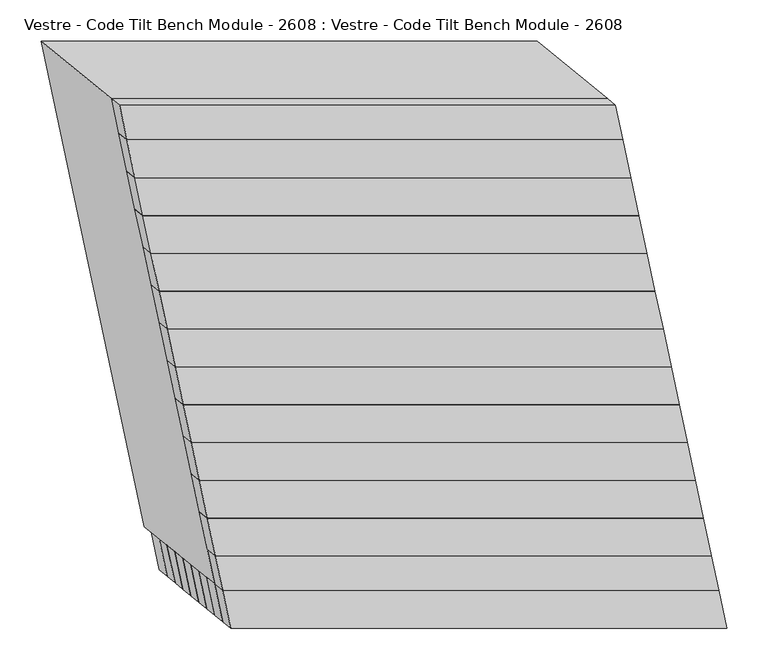
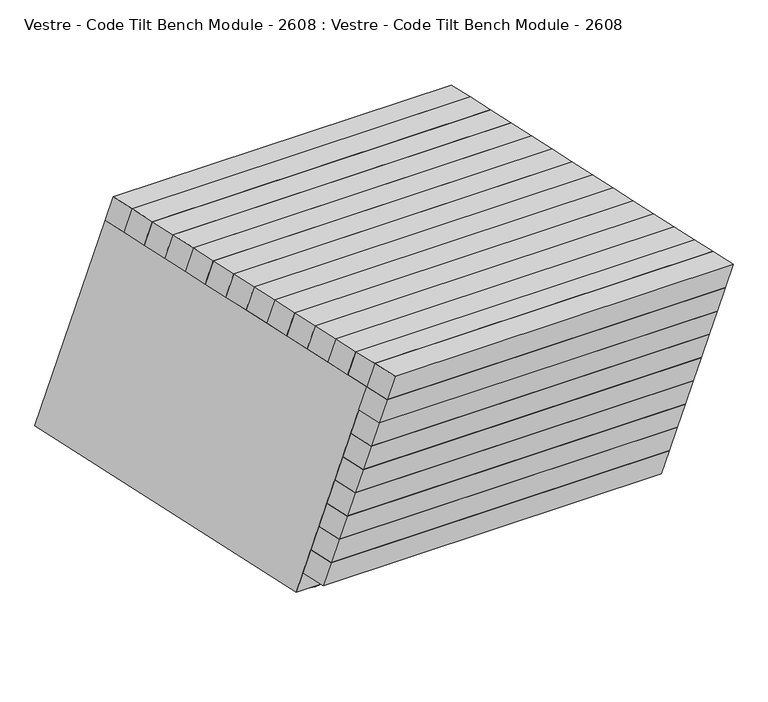
"""IFC4 building model written with IfcOpenShell, lengths in millimetres: furniture geometry, Vestre - Code Tilt Bench Module - 2608 : Vestre - Code Tilt Bench Module - 2608."""

from ifc_helpers import new_model, si_unit, point, frame, frame_2d, origin, origin_with_axes, place, context, project, spatial, circle_curve, trimmed, segment, composite_curve, outline, extrude, faceted_brep, source, transform, mapped, element, save


def vestre_code_tilt_bench_module_2608_vestre_code_tilt_bench_08f4c7ec(model_context):
    return source(origin(), model_context, "Body", "SolidModel", [
        faceted_brep([(350.255274, -362.9784336, 419.8134138), (-249.744726, -362.9784336, 419.8134138), (-239.9876954, -408.8816531, 419.8134138), (360.0123046, -408.8816531, 419.8134138), (340.6138375, -355.103719, 374.7462265), (350.370868, -401.0069385, 374.7462265), (-249.629132, -401.0069385, 374.7462265), (-259.3861625, -355.103719, 374.7462265)], [[[0, 1, 2, 3]], [[4, 5, 6, 7]], [[4, 7, 1, 0]], [[7, 6, 2, 1]], [[6, 5, 3, 2]], [[5, 4, 0, 3]]]),
        faceted_brep([(244.0437897, 174.1919917, 465.0), (-355.9562103, 174.1919917, 465.0), (-346.2319436, 128.4429141, 465.0), (253.7680564, 128.4429141, 465.0), (234.3979186, 182.0875693, 419.8134138), (244.1221852, 136.3384916, 419.8134138), (-355.8778148, 136.3384916, 419.8134138), (-365.6020814, 182.0875693, 419.8134138)], [[[0, 1, 2, 3]], [[4, 5, 6, 7]], [[4, 7, 1, 0]], [[7, 6, 2, 1]], [[6, 5, 3, 2]], [[5, 4, 0, 3]]]),
        faceted_brep([(253.7680564, 128.4429141, 465.0), (-346.2319436, 128.4429141, 465.0), (-336.507677, 82.6938364, 465.0), (263.492323, 82.6938364, 465.0), (244.1221852, 136.3384916, 419.8134138), (253.8464519, 90.5894139, 419.8134138), (-346.1535481, 90.5894139, 419.8134138), (-355.8778148, 136.3384916, 419.8134138)], [[[0, 1, 2, 3]], [[4, 5, 6, 7]], [[4, 7, 1, 0]], [[7, 6, 2, 1]], [[6, 5, 3, 2]], [[5, 4, 0, 3]]]),
        faceted_brep([(263.492323, 82.6938364, 465.0), (-336.507677, 82.6938364, 465.0), (-326.7834103, 36.9447587, 465.0), (273.2165897, 36.9447587, 465.0), (253.8464519, 90.5894139, 419.8134138), (263.5707185, 44.8403363, 419.8134138), (-336.4292815, 44.8403363, 419.8134138), (-346.1535481, 90.5894139, 419.8134138)], [[[0, 1, 2, 3]], [[4, 5, 6, 7]], [[4, 7, 1, 0]], [[7, 6, 2, 1]], [[6, 5, 3, 2]], [[5, 4, 0, 3]]]),
        faceted_brep([(273.2165897, 36.9447587, 465.0), (-326.7834103, 36.9447587, 465.0), (-317.0591437, -8.8043189, 465.0), (282.9408563, -8.8043189, 465.0), (263.5707185, 44.8403363, 419.8134138), (273.2949852, -0.9087414, 419.8134138), (-326.7050148, -0.9087414, 419.8134138), (-336.4292815, 44.8403363, 419.8134138)], [[[0, 1, 2, 3]], [[4, 5, 6, 7]], [[4, 7, 1, 0]], [[7, 6, 2, 1]], [[6, 5, 3, 2]], [[5, 4, 0, 3]]]),
        faceted_brep([(282.9408563, -8.8043189, 465.0), (-317.0591437, -8.8043189, 465.0), (-307.334877, -54.5533966, 465.0), (292.665123, -54.5533966, 465.0), (273.2949852, -0.9087414, 419.8134138), (283.0192518, -46.657819, 419.8134138), (-316.9807482, -46.657819, 419.8134138), (-326.7050148, -0.9087414, 419.8134138)], [[[0, 1, 2, 3]], [[4, 5, 6, 7]], [[4, 7, 1, 0]], [[7, 6, 2, 1]], [[6, 5, 3, 2]], [[5, 4, 0, 3]]]),
        faceted_brep([(292.665123, -54.5533966, 465.0), (-307.334877, -54.5533966, 465.0), (-297.6106104, -100.3024742, 465.0), (302.3893896, -100.3024742, 465.0), (283.0192518, -46.657819, 419.8134138), (292.7435185, -92.4068967, 419.8134138), (-307.2564815, -92.4068967, 419.8134138), (-316.9807482, -46.657819, 419.8134138)], [[[0, 1, 2, 3]], [[4, 5, 6, 7]], [[4, 7, 1, 0]], [[7, 6, 2, 1]], [[6, 5, 3, 2]], [[5, 4, 0, 3]]]),
        faceted_brep([(302.3893896, -100.3024742, 465.0), (-297.6106104, -100.3024742, 465.0), (-287.8863437, -146.0515519, 465.0), (312.1136563, -146.0515519, 465.0), (292.7435185, -92.4068967, 419.8134138), (302.4677851, -138.1559744, 419.8134138), (-297.5322149, -138.1559744, 419.8134138), (-307.2564815, -92.4068967, 419.8134138)], [[[0, 1, 2, 3]], [[4, 5, 6, 7]], [[4, 7, 1, 0]], [[7, 6, 2, 1]], [[6, 5, 3, 2]], [[5, 4, 0, 3]]]),
        faceted_brep([(312.1136563, -146.0515519, 465.0), (-287.8863437, -146.0515519, 465.0), (-278.1620771, -191.8006296, 465.0), (321.8379229, -191.8006296, 465.0), (302.4677851, -138.1559744, 419.8134138), (312.1920518, -183.905052, 419.8134138), (-287.8079482, -183.905052, 419.8134138), (-297.5322149, -138.1559744, 419.8134138)], [[[0, 1, 2, 3]], [[4, 5, 6, 7]], [[4, 7, 1, 0]], [[7, 6, 2, 1]], [[6, 5, 3, 2]], [[5, 4, 0, 3]]]),
        faceted_brep([(321.8379229, -191.8006296, 465.0), (-278.1620771, -191.8006296, 465.0), (-268.4378105, -237.5497072, 465.0), (331.5621895, -237.5497072, 465.0), (312.1920518, -183.905052, 419.8134138), (321.9163184, -229.6541297, 419.8134138), (-278.0836816, -229.6541297, 419.8134138), (-287.8079482, -183.905052, 419.8134138)], [[[0, 1, 2, 3]], [[4, 5, 6, 7]], [[4, 7, 1, 0]], [[7, 6, 2, 1]], [[6, 5, 3, 2]], [[5, 4, 0, 3]]]),
        faceted_brep([(331.5621895, -237.5497072, 465.0), (-268.4378105, -237.5497072, 465.0), (-258.7135438, -283.2987849, 465.0), (341.2864562, -283.2987849, 465.0), (321.9163184, -229.6541297, 419.8134138), (331.6405851, -275.4032074, 419.8134138), (-268.3594149, -275.4032074, 419.8134138), (-278.0836816, -229.6541297, 419.8134138)], [[[0, 1, 2, 3]], [[4, 5, 6, 7]], [[4, 7, 1, 0]], [[7, 6, 2, 1]], [[6, 5, 3, 2]], [[5, 4, 0, 3]]]),
        faceted_brep([(341.2864562, -283.2987849, 465.0), (-258.7135438, -283.2987849, 465.0), (-248.9892772, -329.0478626, 465.0), (351.0107228, -329.0478626, 465.0), (331.6405851, -275.4032074, 419.8134138), (341.3648517, -321.152285, 419.8134138), (-258.6351483, -321.152285, 419.8134138), (-268.3594149, -275.4032074, 419.8134138)], [[[0, 1, 2, 3]], [[4, 5, 6, 7]], [[4, 7, 1, 0]], [[7, 6, 2, 1]], [[6, 5, 3, 2]], [[5, 4, 0, 3]]]),
        faceted_brep([(235.1533674, 216.0181403, 465.0), (-364.8466326, 216.0181403, 465.0), (-355.9562103, 174.1919917, 465.0), (244.0437897, 174.1919917, 465.0), (225.5082596, 223.9101268, 419.8134138), (234.3979186, 182.0875693, 419.8134138), (-365.6020814, 182.0875693, 419.8134138), (-374.4917404, 223.9101268, 419.8134138)], [[[0, 1, 2, 3]], [[4, 5, 6, 7]], [[4, 7, 1, 0]], [[7, 6, 2, 1]], [[6, 5, 3, 2]], [[5, 4, 0, 3]]]),
        extrude(outline(composite_curve([segment(trimmed(circle_curve(frame_2d((-379.2374486, 228.4385142)), 5.0), [point((-374.2374486, 228.4385142))], [point((-384.2374486, 228.4385142))], False, "CARTESIAN"), True, "CONTINUOUS"), segment(trimmed(circle_curve(frame_2d((-379.2374486, 228.4385142)), 5.0), [point((-384.2374486, 228.4385142))], [point((-374.2374486, 228.4385142))], False, "CARTESIAN"), True, "CONTINUOUS")], self_intersect=False)), frame((0.0, 0.0, 5.0), z_axis=(0.0, 0.0, 1.0), x_axis=(1.0, 0.0, 0.0)), (0.0, 0.0, 1.0), 16.8677277),
        extrude(outline(composite_curve([segment(trimmed(circle_curve(frame_2d((87.8263213, 228.4385142)), 5.0), [point((92.8263213, 228.4385142))], [point((82.8263213, 228.4385142))], False, "CARTESIAN"), True, "CONTINUOUS"), segment(trimmed(circle_curve(frame_2d((87.8263213, 228.4385142)), 5.0), [point((82.8263213, 228.4385142))], [point((92.8263213, 228.4385142))], False, "CARTESIAN"), True, "CONTINUOUS")], self_intersect=False)), frame((0.0, 0.0, 5.0), z_axis=(0.0, 0.0, 1.0), x_axis=(1.0, 0.0, 0.0)), (0.0, 0.0, 1.0), 16.8677277),
        faceted_brep([(-249.744726, -362.9784336, 419.8134138), (350.255274, -362.9784336, 419.8134138), (225.5082596, 223.9101268, 419.8134138), (-374.4917404, 223.9101268, 419.8134138), (287.594671, -312.2208839, 419.8134138), (-208.6618234, -312.2208839, 419.8134138), (-314.2670481, 184.6126361, 419.8134138), (181.9894462, 184.6126361, 419.8134138), (-334.6932278, -293.4442802, 21.8677277), (-459.4402423, 293.4442802, 21.8677277), (140.5597577, 293.4442802, 21.8677277), (265.3067722, -293.4442802, 21.8677277), (-293.6103253, -242.6867305, 21.8677277), (202.6461691, -242.6867305, 21.8677277), (99.0835894, 244.5369002, 21.8677277), (-397.172905, 244.5369002, 21.8677277), (-209.3488955, -355.103719, 374.7462265), (296.709699, -355.103719, 374.7462265), (225.0941493, -302.1809189, 71.8677277), (-280.9644451, -302.1809189, 71.8677277), (284.0453984, -309.3156453, 403.1866612), (-212.211096, -309.3156453, 403.1866612), (-289.5258429, -246.0300623, 41.0016985), (206.7306515, -246.0300623, 41.0016985), (178.5255183, 187.1163595, 403.1866612), (103.0698576, 241.6556298, 41.0016985), (-317.730976, 187.1163595, 403.1866612), (-393.1866367, 241.6556298, 41.0016985), (-215.0563962, -328.2520393, 374.7462265), (291.0021983, -328.2520393, 374.7462265), (219.9541961, -277.9993402, 71.8677277), (-286.1043984, -277.9993402, 71.8677277), (-224.6981062, -332.9707916, 403.1866612), (-340.5414324, 212.0292084, 403.1866612), (201.2990829, 212.0292084, 403.1866612), (317.142409, -332.9707916, 403.1866612), (-322.5535579, -272.8781405, 41.0016985), (246.6076242, -272.8781405, 41.0016985), (131.2549878, 269.8133464, 41.0016985), (-437.9061944, 269.8133464, 41.0016985)], [[[0, 1, 2, 3], [4, 5, 6, 7]], [[8, 9, 10, 11], [12, 13, 14, 15]], [[1, 0, 8, 11], [16, 17, 18, 19]], [[2, 1, 11, 10]], [[3, 2, 10, 9]], [[0, 3, 9, 8]], [[5, 4, 20, 21]], [[13, 12, 22, 23]], [[4, 7, 24, 20]], [[14, 13, 23, 25]], [[7, 6, 26, 24]], [[15, 14, 25, 27]], [[6, 5, 21, 26]], [[12, 15, 27, 22]], [[17, 16, 28, 29]], [[19, 18, 30, 31]], [[18, 17, 29, 30]], [[16, 19, 31, 28]], [[32, 33, 34, 35], [21, 20, 24, 26]], [[36, 37, 38, 39], [23, 22, 27, 25]], [[32, 35, 37, 36], [29, 28, 31, 30]], [[35, 34, 38, 37]], [[34, 33, 39, 38]], [[33, 32, 36, 39]]]),
        faceted_brep([(282.9125908, -307.8554313, 104.3431028), (-317.0874092, -307.8554313, 104.3431028), (-307.3303787, -353.7586508, 104.3431028), (292.6696213, -353.7586508, 104.3431028), (273.2711542, -299.9807166, 59.2759155), (283.0281847, -345.8839362, 59.2759155), (-316.9718153, -345.8839362, 59.2759155), (-326.7288458, -299.9807166, 59.2759155)], [[[0, 1, 2, 3]], [[4, 5, 6, 7]], [[4, 7, 1, 0]], [[7, 6, 2, 1]], [[6, 5, 3, 2]], [[5, 4, 0, 3]]]),
        faceted_brep([(292.5540273, -315.7301459, 149.4102901), (-307.4459727, -315.7301459, 149.4102901), (-297.6889421, -361.6333654, 149.4102901), (302.3110579, -361.6333654, 149.4102901), (282.9125908, -307.8554313, 104.3431028), (292.6696213, -353.7586508, 104.3431028), (-307.3303787, -353.7586508, 104.3431028), (-317.0874092, -307.8554313, 104.3431028)], [[[0, 1, 2, 3]], [[4, 5, 6, 7]], [[4, 7, 1, 0]], [[7, 6, 2, 1]], [[6, 5, 3, 2]], [[5, 4, 0, 3]]]),
        faceted_brep([(302.1744107, -323.6048605, 194.4774774), (-297.8255893, -323.6048605, 194.4774774), (-288.0685588, -369.50808, 194.4774774), (311.9314412, -369.50808, 194.4774774), (292.5329741, -315.7301459, 149.4102901), (302.2900046, -361.6333654, 149.4102901), (-297.7099954, -361.6333654, 149.4102901), (-307.4670259, -315.7301459, 149.4102901)], [[[0, 1, 2, 3]], [[4, 5, 6, 7]], [[4, 7, 1, 0]], [[7, 6, 2, 1]], [[6, 5, 3, 2]], [[5, 4, 0, 3]]]),
        faceted_brep([(311.794794, -331.4795751, 239.5446646), (-288.205206, -331.4795751, 239.5446646), (-278.4481755, -377.3827947, 239.5446646), (321.5518245, -377.3827947, 239.5446646), (302.1533574, -323.6048605, 194.4774774), (311.9103879, -369.50808, 194.4774774), (-288.0896121, -369.50808, 194.4774774), (-297.8466426, -323.6048605, 194.4774774)], [[[0, 1, 2, 3]], [[4, 5, 6, 7]], [[4, 7, 1, 0]], [[7, 6, 2, 1]], [[6, 5, 3, 2]], [[5, 4, 0, 3]]]),
        faceted_brep([(321.4151773, -339.3542897, 284.6118519), (-278.5848227, -339.3542897, 284.6118519), (-268.8277922, -385.2575093, 284.6118519), (331.1722078, -385.2575093, 284.6118519), (311.7737407, -331.4795751, 239.5446646), (321.5307713, -377.3827947, 239.5446646), (-278.4692287, -377.3827947, 239.5446646), (-288.2262593, -331.4795751, 239.5446646)], [[[0, 1, 2, 3]], [[4, 5, 6, 7]], [[4, 7, 1, 0]], [[7, 6, 2, 1]], [[6, 5, 3, 2]], [[5, 4, 0, 3]]]),
        faceted_brep([(331.0355606, -347.2290044, 329.6790392), (-268.9644394, -347.2290044, 329.6790392), (-259.2074088, -393.1322239, 329.6790392), (340.7925912, -393.1322239, 329.6790392), (321.3941241, -339.3542897, 284.6118519), (331.1511546, -385.2575093, 284.6118519), (-268.8488454, -385.2575093, 284.6118519), (-278.6058759, -339.3542897, 284.6118519)], [[[0, 1, 2, 3]], [[4, 5, 6, 7]], [[4, 7, 1, 0]], [[7, 6, 2, 1]], [[6, 5, 3, 2]], [[5, 4, 0, 3]]]),
        faceted_brep([(340.6138375, -355.103719, 374.7462265), (-259.3861625, -355.103719, 374.7462265), (-249.629132, -401.0069385, 374.7462265), (350.370868, -401.0069385, 374.7462265), (330.9724009, -347.2290044, 329.6790392), (340.7294314, -393.1322239, 329.6790392), (-259.2705686, -393.1322239, 329.6790392), (-269.0275991, -347.2290044, 329.6790392)], [[[0, 1, 2, 3]], [[4, 5, 6, 7]], [[4, 7, 1, 0]], [[7, 6, 2, 1]], [[6, 5, 3, 2]], [[5, 4, 0, 3]]]),
        faceted_brep([(351.0107228, -329.0478626, 465.0), (-248.9892772, -329.0478626, 465.0), (-240.0988548, -370.8740111, 465.0), (359.9011452, -370.8740111, 465.0), (341.3648517, -321.152285, 419.8134138), (350.255274, -362.9784336, 419.8134138), (-249.744726, -362.9784336, 419.8134138), (-258.6351483, -321.152285, 419.8134138)], [[[0, 1, 2, 3]], [[4, 5, 6, 7]], [[4, 7, 1, 0]], [[7, 6, 2, 1]], [[6, 5, 3, 2]], [[5, 4, 0, 3]]]),
        faceted_brep([(359.9011452, -370.8740111, 465.0), (-240.0988548, -370.8740111, 465.0), (-230.3425876, -416.7736396, 465.0), (369.6574124, -416.7736396, 465.0), (350.255274, -362.9784336, 419.8134138), (360.0123046, -408.8816531, 419.8134138), (-239.9876954, -408.8816531, 419.8134138), (-249.744726, -362.9784336, 419.8134138)], [[[0, 1, 2, 3]], [[4, 5, 6, 7]], [[4, 7, 1, 0]], [[7, 6, 2, 1]], [[6, 5, 3, 2]], [[5, 4, 0, 3]]]),
        extrude(outline(composite_curve([segment(trimmed(circle_curve(frame_2d((-379.2930885, 228.6816045)), 40.0), [point((-339.2930885, 228.6816045))], [point((-419.2930885, 228.6816045))], False, "CARTESIAN"), True, "CONTINUOUS"), segment(trimmed(circle_curve(frame_2d((-379.2930885, 228.6816045)), 40.0), [point((-419.2930885, 228.6816045))], [point((-339.2930885, 228.6816045))], False, "CARTESIAN"), True, "CONTINUOUS")], self_intersect=False)), origin_with_axes(), (0.0, 0.0, 1.0), 5.0),
        extrude(outline(composite_curve([segment(trimmed(circle_curve(frame_2d((87.7706813, 228.6816045)), 40.0), [point((127.7706813, 228.6816045))], [point((47.7706813, 228.6816045))], False, "CARTESIAN"), True, "CONTINUOUS"), segment(trimmed(circle_curve(frame_2d((87.7706813, 228.6816045)), 40.0), [point((47.7706813, 228.6816045))], [point((127.7706813, 228.6816045))], False, "CARTESIAN"), True, "CONTINUOUS")], self_intersect=False)), origin_with_axes(), (0.0, 0.0, 1.0), 5.0),
        extrude(outline(composite_curve([segment(trimmed(circle_curve(frame_2d((-282.0328456, -228.5027868)), 5.0), [point((-287.0328456, -228.5027868))], [point((-277.0328456, -228.5027868))], False, "CARTESIAN"), True, "CONTINUOUS"), segment(trimmed(circle_curve(frame_2d((-282.0328456, -228.5027868)), 5.0), [point((-277.0328456, -228.5027868))], [point((-287.0328456, -228.5027868))], False, "CARTESIAN"), True, "CONTINUOUS")], self_intersect=False)), frame((0.0, 0.0, 5.0), z_axis=(0.0, 0.0, 1.0), x_axis=(1.0, 0.0, 0.0)), (0.0, 0.0, 1.0), 16.8677277),
        extrude(outline(composite_curve([segment(trimmed(circle_curve(frame_2d((184.9661106, -228.5027868)), 5.0), [point((179.9661106, -228.5027868))], [point((189.9661106, -228.5027868))], False, "CARTESIAN"), True, "CONTINUOUS"), segment(trimmed(circle_curve(frame_2d((184.9661106, -228.5027868)), 5.0), [point((189.9661106, -228.5027868))], [point((179.9661106, -228.5027868))], False, "CARTESIAN"), True, "CONTINUOUS")], self_intersect=False)), frame((0.0, 0.0, 5.0), z_axis=(0.0, 0.0, 1.0), x_axis=(1.0, 0.0, 0.0)), (0.0, 0.0, 1.0), 16.8677277),
        extrude(outline(composite_curve([segment(trimmed(circle_curve(frame_2d((-281.9772057, -228.2596966)), 40.0), [point((-321.9772057, -228.2596966))], [point((-241.9772057, -228.2596966))], False, "CARTESIAN"), True, "CONTINUOUS"), segment(trimmed(circle_curve(frame_2d((-281.9772057, -228.2596966)), 40.0), [point((-241.9772057, -228.2596966))], [point((-321.9772057, -228.2596966))], False, "CARTESIAN"), True, "CONTINUOUS")], self_intersect=False)), origin_with_axes(), (0.0, 0.0, 1.0), 5.0),
        extrude(outline(composite_curve([segment(trimmed(circle_curve(frame_2d((185.0217505, -228.2596966)), 40.0), [point((145.0217505, -228.2596966))], [point((225.0217505, -228.2596966))], False, "CARTESIAN"), True, "CONTINUOUS"), segment(trimmed(circle_curve(frame_2d((185.0217505, -228.2596966)), 40.0), [point((225.0217505, -228.2596966))], [point((145.0217505, -228.2596966))], False, "CARTESIAN"), True, "CONTINUOUS")], self_intersect=False)), origin_with_axes(), (0.0, 0.0, 1.0), 5.0),
    ])


if __name__ == "__main__":
    model = new_model("IFC4")
    model_context = context("Model", 3, world=origin())
    ifc_project = project(units=[si_unit("LENGTHUNIT", "METRE", prefix="MILLI")], contexts=[model_context])
    site = spatial("IfcSite", under=ifc_project)
    building = spatial("IfcBuilding", under=site)
    placement = place(None, origin())
    vestre_code_tilt_bench_module_2608_vestre_code_tilt_bench_shape = vestre_code_tilt_bench_module_2608_vestre_code_tilt_bench_08f4c7ec(model_context)
    element("IfcFurniture", 1, ObjectType="Vestre - Code Tilt Bench Module - 2608 : Vestre - Code Tilt Bench Module - 2608", at=placement, inside=building, context=model_context, shape_type="MappedRepresentation", body=[
        mapped(vestre_code_tilt_bench_module_2608_vestre_code_tilt_bench_shape, transform((0.0, 0.0, 0.0), x_axis=(1.0, 0.0, 0.0), y_axis=(0.0, 1.0, 0.0), z_axis=(0.0, 0.0, 1.0))),
    ])
    save(model, "model.ifc")
